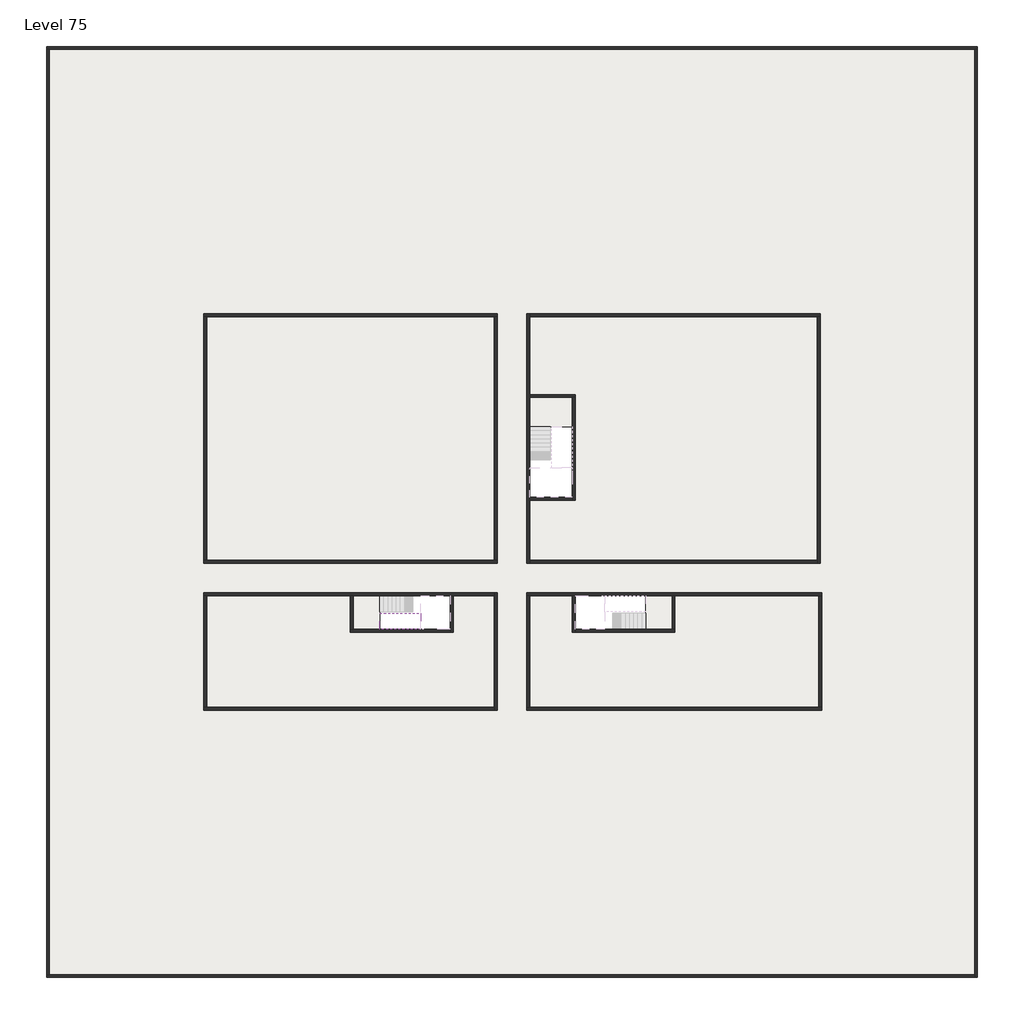
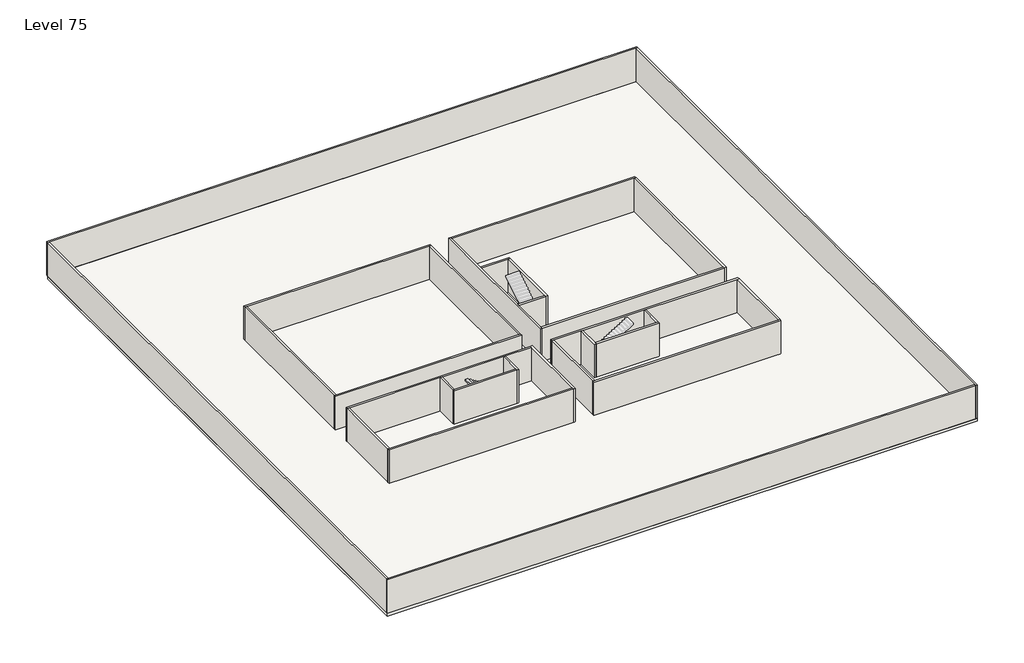
# One storey, part 1 of 2: 29 walls, 2 slabs, 1 stair flight.
"""IFC4 building model written with IfcOpenShell, lengths in millimetres."""

from ifc_helpers import new_model, si_unit, frame, origin, place, context, project, spatial, polyline, outline, extrude, faceted_brep, element, save

model = new_model("IFC4")

# Units and contexts
model_context = context("Model", 3, world=origin())
ifc_project = project(units=[si_unit("LENGTHUNIT", "METRE", prefix="MILLI")], contexts=[model_context])

# Site, building, storey
site = spatial("IfcSite", under=ifc_project)
building = spatial("IfcBuilding", under=site)
storey = spatial("IfcBuildingStorey", under=building, Name="Level 75", Elevation=281200.0)

# Slabs
placement = place(None, origin())
element("IfcSlab", 1, at=placement, inside=storey, context=model_context, shape_type="SweptSolid", body=[
    extrude(outline(polyline([(25390.1058784, -29418.09644), (28290.1058784, -29418.09644), (28290.1058784, -31418.09644), (25390.1058784, -31418.09644), (25390.1058784, -29418.09644)])), frame((0.0, 0.0, 280900.0), z_axis=(0.0, 0.0, 1.0), x_axis=(1.0, 0.0, 0.0)), (0.0, 0.0, 1.0), 300.0),
    extrude(outline(polyline([(13190.1058784, -45218.09644), (13190.1058784, -42918.09644), (15190.1058784, -42918.09644), (15190.1058784, -45218.09644), (13190.1058784, -45218.09644)])), frame((0.0, 0.0, 280900.0), z_axis=(0.0, 0.0, 1.0), x_axis=(1.0, 0.0, 0.0)), (0.0, 0.0, 1.0), 300.0),
    extrude(outline(polyline([(35090.1058784, -42918.09644), (35090.1058784, -45218.09644), (33290.1058784, -45218.09644), (33290.1058784, -42918.09644), (35090.1058784, -42918.09644)])), frame((0.0, 0.0, 280900.0), z_axis=(0.0, 0.0, 1.0), x_axis=(1.0, 0.0, 0.0)), (0.0, 0.0, 1.0), 300.0),
])
element("IfcSlab", 2, at=placement, inside=storey, context=model_context, shape_type="SweptSolid", body=[
    extrude(outline(polyline([(55890.1058784, -5718.09644), (55890.1058784, -68918.09644), (-7509.8941216, -68918.09644), (-7509.8941216, -5718.09644), (55890.1058784, -5718.09644)]), holes=[polyline([(25390.1058784, -29418.09644), (25390.1058784, -36218.09644), (28290.1058784, -36218.09644), (28290.1058784, -29418.09644), (25390.1058784, -29418.09644)]), polyline([(19990.1058784, -42918.09644), (13390.1058784, -42918.09644), (13390.1058784, -45218.09644), (19990.1058784, -45218.09644), (19990.1058784, -42918.09644)]), polyline([(35090.1058784, -42918.09644), (28490.1058784, -42918.09644), (28490.1058784, -45218.09644), (35090.1058784, -45218.09644), (35090.1058784, -42918.09644)])]), frame((0.0, 0.0, 280900.0), z_axis=(0.0, 0.0, 1.0), x_axis=(1.0, 0.0, 0.0)), (0.0, 0.0, 1.0), 300.0),
])

# Stair flight
element("IfcStairFlight", 3, at=placement, inside=storey, context=model_context, shape_type="Brep", body=[
    faceted_brep([(17710.1058784, -45218.09644, 283272.7272727), (17990.1058784, -45218.09644, 283272.7272727), (17990.1058784, -44118.09644, 283272.7272727), (17710.1058784, -44118.09644, 283272.7272727), (17710.1058784, -45218.09644, 283096.4823932), (17990.1058784, -45218.09644, 282923.7551205), (17990.1058784, -45218.09644, 283100.0), (17990.1058784, -44118.09644, 282923.7551205), (17710.1058784, -44118.09644, 283096.4823932), (17430.1058784, -45218.09644, 283445.4545455), (17710.1058784, -45218.09644, 283445.4545455), (17710.1058784, -44118.09644, 283445.4545455), (17430.1058784, -44118.09644, 283445.4545455), (17430.1058784, -45218.09644, 283269.209666), (17430.1058784, -44118.09644, 283269.209666), (17150.1058784, -45218.09644, 283618.1818182), (17430.1058784, -45218.09644, 283618.1818182), (17430.1058784, -44118.09644, 283618.1818182), (17150.1058784, -44118.09644, 283618.1818182), (17150.1058784, -45218.09644, 283441.9369387), (17150.1058784, -44118.09644, 283441.9369387), (16870.1058784, -45218.09644, 283790.9090909), (17150.1058784, -45218.09644, 283790.9090909), (17150.1058784, -44118.09644, 283790.9090909), (16870.1058784, -44118.09644, 283790.9090909), (16870.1058784, -45218.09644, 283614.6642114), (16870.1058784, -44118.09644, 283614.6642114), (16590.1058784, -45218.09644, 283963.6363636), (16870.1058784, -45218.09644, 283963.6363636), (16870.1058784, -44118.09644, 283963.6363636), (16590.1058784, -44118.09644, 283963.6363636), (16590.1058784, -45218.09644, 283787.3914841), (16590.1058784, -44118.09644, 283787.3914841), (16310.1058784, -45218.09644, 284136.3636364), (16590.1058784, -45218.09644, 284136.3636364), (16590.1058784, -44118.09644, 284136.3636364), (16310.1058784, -44118.09644, 284136.3636364), (16310.1058784, -45218.09644, 283960.1187569), (16310.1058784, -44118.09644, 283960.1187569), (16030.1058784, -45218.09644, 284309.0909091), (16310.1058784, -45218.09644, 284309.0909091), (16310.1058784, -44118.09644, 284309.0909091), (16030.1058784, -44118.09644, 284309.0909091), (16030.1058784, -45218.09644, 284132.8460296), (16030.1058784, -44118.09644, 284132.8460296), (15750.1058784, -45218.09644, 284481.8181818), (16030.1058784, -45218.09644, 284481.8181818), (16030.1058784, -44118.09644, 284481.8181818), (15750.1058784, -44118.09644, 284481.8181818), (15750.1058784, -45218.09644, 284305.5733023), (15750.1058784, -44118.09644, 284305.5733023), (15470.1058784, -45218.09644, 284654.5454545), (15750.1058784, -45218.09644, 284654.5454545), (15750.1058784, -44118.09644, 284654.5454545), (15470.1058784, -44118.09644, 284654.5454545), (15470.1058784, -45218.09644, 284478.3005751), (15470.1058784, -44118.09644, 284478.3005751), (15190.1058784, -45218.09644, 284827.2727273), (15470.1058784, -45218.09644, 284827.2727273), (15470.1058784, -44118.09644, 284827.2727273), (15190.1058784, -44118.09644, 284827.2727273), (15190.1058784, -45218.09644, 284651.0278478), (15190.1058784, -44118.09644, 284651.0278478)], [[[0, 1, 2, 3]], [[1, 0, 4, 5, 6]], [[2, 1, 6, 5, 7]], [[3, 2, 7, 8]], [[9, 10, 11, 12]], [[10, 9, 13, 4, 0]], [[11, 10, 0, 3]], [[12, 11, 3, 8, 14]], [[15, 16, 17, 18]], [[16, 15, 19, 13, 9]], [[17, 16, 9, 12]], [[18, 17, 12, 14, 20]], [[21, 22, 23, 24]], [[22, 21, 25, 19, 15]], [[23, 22, 15, 18]], [[24, 23, 18, 20, 26]], [[27, 28, 29, 30]], [[28, 27, 31, 25, 21]], [[29, 28, 21, 24]], [[30, 29, 24, 26, 32]], [[33, 34, 35, 36]], [[34, 33, 37, 31, 27]], [[35, 34, 27, 30]], [[36, 35, 30, 32, 38]], [[39, 40, 41, 42]], [[40, 39, 43, 37, 33]], [[41, 40, 33, 36]], [[42, 41, 36, 38, 44]], [[45, 46, 47, 48]], [[46, 45, 49, 43, 39]], [[47, 46, 39, 42]], [[48, 47, 42, 44, 50]], [[51, 52, 53, 54]], [[52, 51, 55, 49, 45]], [[53, 52, 45, 48]], [[54, 53, 48, 50, 56]], [[57, 58, 59, 60]], [[58, 57, 61, 55, 51]], [[59, 58, 51, 54]], [[60, 59, 54, 56, 62]], [[57, 60, 62, 61]], [[5, 4, 13, 19, 25, 31, 37, 43, 49, 55, 61, 62, 56, 50, 44, 38, 32, 26, 20, 14, 8, 7]]]),
])

# Walls
element("IfcWall", 4, at=placement, inside=storey, context=model_context, shape_type="Brep", body=[
    faceted_brep([(-7509.8941216, -5718.09644, 281200.0), (-7309.8941216, -5718.09644, 281200.0), (55690.1058784, -5718.09644, 281200.0), (55890.1058784, -5718.09644, 281200.0), (55890.1058784, -5718.09644, 285000.0), (55690.1058784, -5718.09644, 285000.0), (-7309.8941216, -5718.09644, 285000.0), (-7509.8941216, -5718.09644, 285000.0), (-7509.8941216, -5518.09644, 281200.0), (-7509.8941216, -5518.09644, 285000.0), (55890.1058784, -5518.09644, 285000.0), (55890.1058784, -5518.09644, 281200.0)], [[[0, 1, 2, 3, 4, 5, 6, 7]], [[8, 9, 10, 11]], [[3, 2, 1, 0, 8, 11]], [[7, 6, 5, 4, 10, 9]], [[4, 3, 11, 10]], [[0, 7, 9, 8]]]),
])
element("IfcWall", 5, at=placement, inside=storey, context=model_context, shape_type="Brep", body=[
    faceted_brep([(55690.1058784, -5718.09644, 281200.0), (55690.1058784, -68718.09644, 281200.0), (55690.1058784, -68918.09644, 281200.0), (55690.1058784, -68918.09644, 285000.0), (55690.1058784, -68718.09644, 285000.0), (55690.1058784, -5718.09644, 285000.0), (55890.1058784, -5718.09644, 281200.0), (55890.1058784, -5718.09644, 285000.0), (55890.1058784, -68918.09644, 285000.0), (55890.1058784, -68918.09644, 281200.0)], [[[0, 1, 2, 3, 4, 5]], [[6, 7, 8, 9]], [[2, 1, 0, 6, 9]], [[5, 4, 3, 8, 7]], [[0, 5, 7, 6]], [[3, 2, 9, 8]]]),
])
element("IfcWall", 6, at=placement, inside=storey, context=model_context, shape_type="Brep", body=[
    faceted_brep([(55690.1058784, -68718.09644, 281200.0), (-7309.8941216, -68718.09644, 281200.0), (-7509.8941216, -68718.09644, 281200.0), (-7509.8941216, -68718.09644, 285000.0), (-7309.8941216, -68718.09644, 285000.0), (55690.1058784, -68718.09644, 285000.0), (55690.1058784, -68918.09644, 281200.0), (55690.1058784, -68918.09644, 285000.0), (-7509.8941216, -68918.09644, 285000.0), (-7509.8941216, -68918.09644, 281200.0)], [[[0, 1, 2, 3, 4, 5]], [[6, 7, 8, 9]], [[2, 1, 0, 6, 9]], [[5, 4, 3, 8, 7]], [[0, 5, 7, 6]], [[3, 2, 9, 8]]]),
])
element("IfcWall", 7, at=placement, inside=storey, context=model_context, shape_type="SweptSolid", body=[
    extrude(outline(polyline([(-7309.8941216, -5718.09644), (-7309.8941216, -68718.09644), (-7509.8941216, -68718.09644), (-7509.8941216, -5718.09644), (-7309.8941216, -5718.09644)])), frame((0.0, 0.0, 281200.0), z_axis=(0.0, 0.0, 1.0), x_axis=(1.0, 0.0, 0.0)), (0.0, 0.0, 1.0), 3800.0),
])
element("IfcWall", 8, at=placement, inside=storey, context=model_context, shape_type="Brep", body=[
    faceted_brep([(3190.1058784, -23918.09644, 281200.0), (3390.1058784, -23918.09644, 281200.0), (22990.1058784, -23918.09644, 281200.0), (23190.1058784, -23918.09644, 281200.0), (23190.1058784, -23918.09644, 285000.0), (22990.1058784, -23918.09644, 285000.0), (3390.1058784, -23918.09644, 285000.0), (3190.1058784, -23918.09644, 285000.0), (3190.1058784, -23718.09644, 281200.0), (3190.1058784, -23718.09644, 285000.0), (23190.1058784, -23718.09644, 285000.0), (23190.1058784, -23718.09644, 281200.0)], [[[0, 1, 2, 3, 4, 5, 6, 7]], [[8, 9, 10, 11]], [[3, 2, 1, 0, 8, 11]], [[7, 6, 5, 4, 10, 9]], [[0, 7, 9, 8]], [[4, 3, 11, 10]]]),
])
element("IfcWall", 9, at=placement, inside=storey, context=model_context, shape_type="Brep", body=[
    faceted_brep([(44990.1058784, -23918.09644, 281200.0), (44990.1058784, -40518.09644, 281200.0), (44990.1058784, -40718.09644, 281200.0), (44990.1058784, -40718.09644, 285000.0), (44990.1058784, -40518.09644, 285000.0), (44990.1058784, -23918.09644, 285000.0), (45190.1058784, -23918.09644, 281200.0), (45190.1058784, -23918.09644, 285000.0), (45190.1058784, -40718.09644, 285000.0), (45190.1058784, -40718.09644, 281200.0)], [[[0, 1, 2, 3, 4, 5]], [[6, 7, 8, 9]], [[2, 1, 0, 6, 9]], [[5, 4, 3, 8, 7]], [[3, 2, 9, 8]], [[0, 5, 7, 6]]]),
])
element("IfcWall", 10, at=placement, inside=storey, context=model_context, shape_type="Brep", body=[
    faceted_brep([(45290.1058784, -50518.09644, 281200.0), (45090.1058784, -50518.09644, 281200.0), (25390.1058784, -50518.09644, 281200.0), (25190.1058784, -50518.09644, 281200.0), (25190.1058784, -50518.09644, 285000.0), (25390.1058784, -50518.09644, 285000.0), (45090.1058784, -50518.09644, 285000.0), (45290.1058784, -50518.09644, 285000.0), (45290.1058784, -50718.09644, 281200.0), (45290.1058784, -50718.09644, 285000.0), (25190.1058784, -50718.09644, 285000.0), (25190.1058784, -50718.09644, 281200.0)], [[[0, 1, 2, 3, 4, 5, 6, 7]], [[8, 9, 10, 11]], [[3, 2, 1, 0, 8, 11]], [[7, 6, 5, 4, 10, 9]], [[4, 3, 11, 10]], [[0, 7, 9, 8]]]),
])
element("IfcWall", 11, at=placement, inside=storey, context=model_context, shape_type="SweptSolid", body=[
    extrude(outline(polyline([(22990.1058784, -40518.09644), (22990.1058784, -23918.09644), (23190.1058784, -23918.09644), (23190.1058784, -40518.09644), (22990.1058784, -40518.09644)])), frame((0.0, 0.0, 281200.0), z_axis=(0.0, 0.0, 1.0), x_axis=(1.0, 0.0, 0.0)), (0.0, 0.0, 1.0), 3800.0),
])
element("IfcWall", 12, at=placement, inside=storey, context=model_context, shape_type="Brep", body=[
    faceted_brep([(23190.1058784, -40518.09644, 281200.0), (22990.1058784, -40518.09644, 281200.0), (3390.1058784, -40518.09644, 281200.0), (3190.1058784, -40518.09644, 281200.0), (3190.1058784, -40518.09644, 285000.0), (3390.1058784, -40518.09644, 285000.0), (22990.1058784, -40518.09644, 285000.0), (23190.1058784, -40518.09644, 285000.0), (23190.1058784, -40718.09644, 281200.0), (23190.1058784, -40718.09644, 285000.0), (3190.1058784, -40718.09644, 285000.0), (3190.1058784, -40718.09644, 281200.0)], [[[0, 1, 2, 3, 4, 5, 6, 7]], [[8, 9, 10, 11]], [[3, 2, 1, 0, 8, 11]], [[7, 6, 5, 4, 10, 9]], [[4, 3, 11, 10]], [[0, 7, 9, 8]]]),
])
element("IfcWall", 13, at=placement, inside=storey, context=model_context, shape_type="Brep", body=[
    faceted_brep([(3190.1058784, -42918.09644, 281200.0), (3390.1058784, -42918.09644, 281200.0), (13190.1058784, -42918.09644, 281200.0), (13390.1058784, -42918.09644, 281200.0), (19990.1058784, -42918.09644, 281200.0), (20190.1058784, -42918.09644, 281200.0), (22990.1058784, -42918.09644, 281200.0), (22990.1058784, -42918.09644, 285000.0), (20190.1058784, -42918.09644, 285000.0), (19990.1058784, -42918.09644, 285000.0), (13390.1058784, -42918.09644, 285000.0), (13190.1058784, -42918.09644, 285000.0), (3390.1058784, -42918.09644, 285000.0), (3190.1058784, -42918.09644, 285000.0), (3190.1058784, -42718.09644, 281200.0), (3190.1058784, -42718.09644, 285000.0), (22990.1058784, -42718.09644, 285000.0), (22990.1058784, -42718.09644, 281200.0)], [[[0, 1, 2, 3, 4, 5, 6, 7, 8, 9, 10, 11, 12, 13]], [[14, 15, 16, 17]], [[6, 5, 4, 3, 2, 1, 0, 14, 17]], [[13, 12, 11, 10, 9, 8, 7, 16, 15]], [[0, 13, 15, 14]], [[7, 6, 17, 16]]]),
])
element("IfcWall", 14, at=placement, inside=storey, context=model_context, shape_type="SweptSolid", body=[
    extrude(outline(polyline([(25390.1058784, -40518.09644), (44990.1058784, -40518.09644), (44990.1058784, -40718.09644), (25390.1058784, -40718.09644), (25390.1058784, -40518.09644)])), frame((0.0, 0.0, 281200.0), z_axis=(0.0, 0.0, 1.0), x_axis=(1.0, 0.0, 0.0)), (0.0, 0.0, 1.0), 3800.0),
])
element("IfcWall", 15, at=placement, inside=storey, context=model_context, shape_type="Brep", body=[
    faceted_brep([(25390.1058784, -40718.09644, 281200.0), (25390.1058784, -40518.09644, 281200.0), (25390.1058784, -36418.09644, 281200.0), (25390.1058784, -36218.09644, 281200.0), (25390.1058784, -29418.09644, 281200.0), (25390.1058784, -29218.09644, 281200.0), (25390.1058784, -23918.09644, 281200.0), (25390.1058784, -23718.09644, 281200.0), (25390.1058784, -23718.09644, 285000.0), (25390.1058784, -23918.09644, 285000.0), (25390.1058784, -29218.09644, 285000.0), (25390.1058784, -29418.09644, 285000.0), (25390.1058784, -36218.09644, 285000.0), (25390.1058784, -36418.09644, 285000.0), (25390.1058784, -40518.09644, 285000.0), (25390.1058784, -40718.09644, 285000.0), (25190.1058784, -40718.09644, 281200.0), (25190.1058784, -40718.09644, 285000.0), (25190.1058784, -23718.09644, 285000.0), (25190.1058784, -23718.09644, 281200.0)], [[[0, 1, 2, 3, 4, 5, 6, 7, 8, 9, 10, 11, 12, 13, 14, 15]], [[16, 17, 18, 19]], [[7, 6, 5, 4, 3, 2, 1, 0, 16, 19]], [[15, 14, 13, 12, 11, 10, 9, 8, 18, 17]], [[0, 15, 17, 16]], [[8, 7, 19, 18]]]),
])
element("IfcWall", 16, at=placement, inside=storey, context=model_context, shape_type="SweptSolid", body=[
    extrude(outline(polyline([(3390.1058784, -23918.09644), (3390.1058784, -40518.09644), (3190.1058784, -40518.09644), (3190.1058784, -23918.09644), (3390.1058784, -23918.09644)])), frame((0.0, 0.0, 281200.0), z_axis=(0.0, 0.0, 1.0), x_axis=(1.0, 0.0, 0.0)), (0.0, 0.0, 1.0), 3800.0),
])
element("IfcWall", 17, at=placement, inside=storey, context=model_context, shape_type="Brep", body=[
    faceted_brep([(25390.1058784, -23918.09644, 281200.0), (44990.1058784, -23918.09644, 281200.0), (45190.1058784, -23918.09644, 281200.0), (45190.1058784, -23918.09644, 285000.0), (44990.1058784, -23918.09644, 285000.0), (25390.1058784, -23918.09644, 285000.0), (25390.1058784, -23718.09644, 281200.0), (25390.1058784, -23718.09644, 285000.0), (45190.1058784, -23718.09644, 285000.0), (45190.1058784, -23718.09644, 281200.0)], [[[0, 1, 2, 3, 4, 5]], [[6, 7, 8, 9]], [[2, 1, 0, 6, 9]], [[5, 4, 3, 8, 7]], [[0, 5, 7, 6]], [[3, 2, 9, 8]]]),
])
element("IfcWall", 18, at=placement, inside=storey, context=model_context, shape_type="Brep", body=[
    faceted_brep([(25390.1058784, -29418.09644, 281200.0), (28290.1058784, -29418.09644, 281200.0), (28490.1058784, -29418.09644, 281200.0), (28490.1058784, -29418.09644, 285000.0), (28290.1058784, -29418.09644, 285000.0), (25390.1058784, -29418.09644, 285000.0), (25390.1058784, -29218.09644, 281200.0), (25390.1058784, -29218.09644, 285000.0), (28490.1058784, -29218.09644, 285000.0), (28490.1058784, -29218.09644, 281200.0)], [[[0, 1, 2, 3, 4, 5]], [[6, 7, 8, 9]], [[2, 1, 0, 6, 9]], [[5, 4, 3, 8, 7]], [[3, 2, 9, 8]], [[0, 5, 7, 6]]]),
])
element("IfcWall", 19, at=placement, inside=storey, context=model_context, shape_type="Brep", body=[
    faceted_brep([(28290.1058784, -29418.09644, 281200.0), (28290.1058784, -36218.09644, 281200.0), (28290.1058784, -36418.09644, 281200.0), (28290.1058784, -36418.09644, 285000.0), (28290.1058784, -36218.09644, 285000.0), (28290.1058784, -29418.09644, 285000.0), (28490.1058784, -29418.09644, 281200.0), (28490.1058784, -29418.09644, 285000.0), (28490.1058784, -36418.09644, 285000.0), (28490.1058784, -36418.09644, 281200.0)], [[[0, 1, 2, 3, 4, 5]], [[6, 7, 8, 9]], [[2, 1, 0, 6, 9]], [[5, 4, 3, 8, 7]], [[3, 2, 9, 8]], [[0, 5, 7, 6]]]),
])
element("IfcWall", 20, at=placement, inside=storey, context=model_context, shape_type="SweptSolid", body=[
    extrude(outline(polyline([(25390.1058784, -36218.09644), (28290.1058784, -36218.09644), (28290.1058784, -36418.09644), (25390.1058784, -36418.09644), (25390.1058784, -36218.09644)])), frame((0.0, 0.0, 281200.0), z_axis=(0.0, 0.0, 1.0), x_axis=(1.0, 0.0, 0.0)), (0.0, 0.0, 1.0), 3800.0),
])
element("IfcWall", 21, at=placement, inside=storey, context=model_context, shape_type="SweptSolid", body=[
    extrude(outline(polyline([(25190.1058784, -50518.09644), (25190.1058784, -42918.09644), (25390.1058784, -42918.09644), (25390.1058784, -50518.09644), (25190.1058784, -50518.09644)])), frame((0.0, 0.0, 281200.0), z_axis=(0.0, 0.0, 1.0), x_axis=(1.0, 0.0, 0.0)), (0.0, 0.0, 1.0), 3800.0),
])
element("IfcWall", 22, at=placement, inside=storey, context=model_context, shape_type="Brep", body=[
    faceted_brep([(22990.1058784, -42718.09644, 281200.0), (22990.1058784, -42918.09644, 281200.0), (22990.1058784, -50518.09644, 281200.0), (22990.1058784, -50718.09644, 281200.0), (22990.1058784, -50718.09644, 285000.0), (22990.1058784, -50518.09644, 285000.0), (22990.1058784, -42918.09644, 285000.0), (22990.1058784, -42718.09644, 285000.0), (23190.1058784, -42718.09644, 281200.0), (23190.1058784, -42718.09644, 285000.0), (23190.1058784, -50718.09644, 285000.0), (23190.1058784, -50718.09644, 281200.0)], [[[0, 1, 2, 3, 4, 5, 6, 7]], [[8, 9, 10, 11]], [[3, 2, 1, 0, 8, 11]], [[7, 6, 5, 4, 10, 9]], [[4, 3, 11, 10]], [[0, 7, 9, 8]]]),
])
element("IfcWall", 23, at=placement, inside=storey, context=model_context, shape_type="Brep", body=[
    faceted_brep([(25190.1058784, -42918.09644, 281200.0), (25390.1058784, -42918.09644, 281200.0), (28290.1058784, -42918.09644, 281200.0), (28490.1058784, -42918.09644, 281200.0), (35090.1058784, -42918.09644, 281200.0), (35290.1058784, -42918.09644, 281200.0), (45090.1058784, -42918.09644, 281200.0), (45290.1058784, -42918.09644, 281200.0), (45290.1058784, -42918.09644, 285000.0), (45090.1058784, -42918.09644, 285000.0), (35290.1058784, -42918.09644, 285000.0), (35090.1058784, -42918.09644, 285000.0), (28490.1058784, -42918.09644, 285000.0), (28290.1058784, -42918.09644, 285000.0), (25390.1058784, -42918.09644, 285000.0), (25190.1058784, -42918.09644, 285000.0), (25190.1058784, -42718.09644, 281200.0), (25190.1058784, -42718.09644, 285000.0), (45290.1058784, -42718.09644, 285000.0), (45290.1058784, -42718.09644, 281200.0)], [[[0, 1, 2, 3, 4, 5, 6, 7, 8, 9, 10, 11, 12, 13, 14, 15]], [[16, 17, 18, 19]], [[7, 6, 5, 4, 3, 2, 1, 0, 16, 19]], [[15, 14, 13, 12, 11, 10, 9, 8, 18, 17]], [[0, 15, 17, 16]], [[8, 7, 19, 18]]]),
])
element("IfcWall", 24, at=placement, inside=storey, context=model_context, shape_type="Brep", body=[
    faceted_brep([(22990.1058784, -50518.09644, 281200.0), (3390.1058784, -50518.09644, 281200.0), (3190.1058784, -50518.09644, 281200.0), (3190.1058784, -50518.09644, 285000.0), (3390.1058784, -50518.09644, 285000.0), (22990.1058784, -50518.09644, 285000.0), (22990.1058784, -50718.09644, 281200.0), (22990.1058784, -50718.09644, 285000.0), (3190.1058784, -50718.09644, 285000.0), (3190.1058784, -50718.09644, 281200.0)], [[[0, 1, 2, 3, 4, 5]], [[6, 7, 8, 9]], [[2, 1, 0, 6, 9]], [[5, 4, 3, 8, 7]], [[3, 2, 9, 8]], [[0, 5, 7, 6]]]),
])
element("IfcWall", 25, at=placement, inside=storey, context=model_context, shape_type="Brep", body=[
    faceted_brep([(28290.1058784, -42918.09644, 281200.0), (28290.1058784, -45418.09644, 281200.0), (28290.1058784, -45418.09644, 285000.0), (28290.1058784, -42918.09644, 285000.0), (28490.1058784, -42918.09644, 281200.0), (28490.1058784, -42918.09644, 285000.0), (28490.1058784, -45218.09644, 285000.0), (28490.1058784, -45418.09644, 285000.0), (28490.1058784, -45418.09644, 281200.0), (28490.1058784, -45218.09644, 281200.0)], [[[0, 1, 2, 3]], [[4, 5, 6, 7, 8, 9]], [[1, 0, 4, 9, 8]], [[3, 2, 7, 6, 5]], [[2, 1, 8, 7]], [[0, 3, 5, 4]]]),
])
element("IfcWall", 26, at=placement, inside=storey, context=model_context, shape_type="Brep", body=[
    faceted_brep([(28490.1058784, -45418.09644, 281200.0), (35290.1058784, -45418.09644, 281200.0), (35290.1058784, -45418.09644, 285000.0), (28490.1058784, -45418.09644, 285000.0), (28490.1058784, -45218.09644, 281200.0), (28490.1058784, -45218.09644, 285000.0), (35090.1058784, -45218.09644, 285000.0), (35290.1058784, -45218.09644, 285000.0), (35290.1058784, -45218.09644, 281200.0), (35090.1058784, -45218.09644, 281200.0)], [[[0, 1, 2, 3]], [[4, 5, 6, 7, 8, 9]], [[1, 0, 4, 9, 8]], [[3, 2, 7, 6, 5]], [[2, 1, 8, 7]], [[0, 3, 5, 4]]]),
])
element("IfcWall", 27, at=placement, inside=storey, context=model_context, shape_type="SweptSolid", body=[
    extrude(outline(polyline([(35290.1058784, -42918.09644), (35290.1058784, -45218.09644), (35090.1058784, -45218.09644), (35090.1058784, -42918.09644), (35290.1058784, -42918.09644)])), frame((0.0, 0.0, 281200.0), z_axis=(0.0, 0.0, 1.0), x_axis=(1.0, 0.0, 0.0)), (0.0, 0.0, 1.0), 3800.0),
])
element("IfcWall", 28, at=placement, inside=storey, context=model_context, shape_type="Brep", body=[
    faceted_brep([(19990.1058784, -42918.09644, 281200.0), (19990.1058784, -45218.09644, 281200.0), (19990.1058784, -45418.09644, 281200.0), (19990.1058784, -45418.09644, 285000.0), (19990.1058784, -45218.09644, 285000.0), (19990.1058784, -42918.09644, 285000.0), (20190.1058784, -42918.09644, 281200.0), (20190.1058784, -42918.09644, 285000.0), (20190.1058784, -45418.09644, 285000.0), (20190.1058784, -45418.09644, 281200.0)], [[[0, 1, 2, 3, 4, 5]], [[6, 7, 8, 9]], [[2, 1, 0, 6, 9]], [[5, 4, 3, 8, 7]], [[3, 2, 9, 8]], [[0, 5, 7, 6]]]),
])
element("IfcWall", 29, at=placement, inside=storey, context=model_context, shape_type="Brep", body=[
    faceted_brep([(19990.1058784, -45218.09644, 281200.0), (13390.1058784, -45218.09644, 281200.0), (13190.1058784, -45218.09644, 281200.0), (13190.1058784, -45218.09644, 285000.0), (13390.1058784, -45218.09644, 285000.0), (19990.1058784, -45218.09644, 285000.0), (19990.1058784, -45418.09644, 281200.0), (19990.1058784, -45418.09644, 285000.0), (13190.1058784, -45418.09644, 285000.0), (13190.1058784, -45418.09644, 281200.0)], [[[0, 1, 2, 3, 4, 5]], [[6, 7, 8, 9]], [[2, 1, 0, 6, 9]], [[5, 4, 3, 8, 7]], [[0, 5, 7, 6]], [[3, 2, 9, 8]]]),
])
element("IfcWall", 30, at=placement, inside=storey, context=model_context, shape_type="SweptSolid", body=[
    extrude(outline(polyline([(13390.1058784, -42918.09644), (13390.1058784, -45218.09644), (13190.1058784, -45218.09644), (13190.1058784, -42918.09644), (13390.1058784, -42918.09644)])), frame((0.0, 0.0, 281200.0), z_axis=(0.0, 0.0, 1.0), x_axis=(1.0, 0.0, 0.0)), (0.0, 0.0, 1.0), 3800.0),
])
element("IfcWall", 31, at=placement, inside=storey, context=model_context, shape_type="SweptSolid", body=[
    extrude(outline(polyline([(45290.1058784, -42918.09644), (45290.1058784, -50518.09644), (45090.1058784, -50518.09644), (45090.1058784, -42918.09644), (45290.1058784, -42918.09644)])), frame((0.0, 0.0, 281200.0), z_axis=(0.0, 0.0, 1.0), x_axis=(1.0, 0.0, 0.0)), (0.0, 0.0, 1.0), 3800.0),
])
element("IfcWall", 32, at=placement, inside=storey, context=model_context, shape_type="SweptSolid", body=[
    extrude(outline(polyline([(3390.1058784, -42918.09644), (3390.1058784, -50518.09644), (3190.1058784, -50518.09644), (3190.1058784, -42918.09644), (3390.1058784, -42918.09644)])), frame((0.0, 0.0, 281200.0), z_axis=(0.0, 0.0, 1.0), x_axis=(1.0, 0.0, 0.0)), (0.0, 0.0, 1.0), 3800.0),
])

save(model, "model.ifc")
